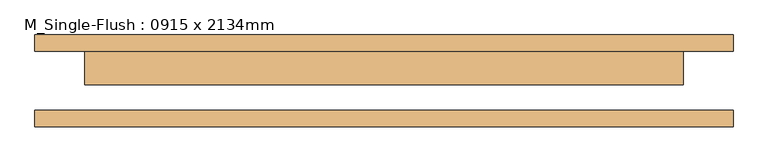
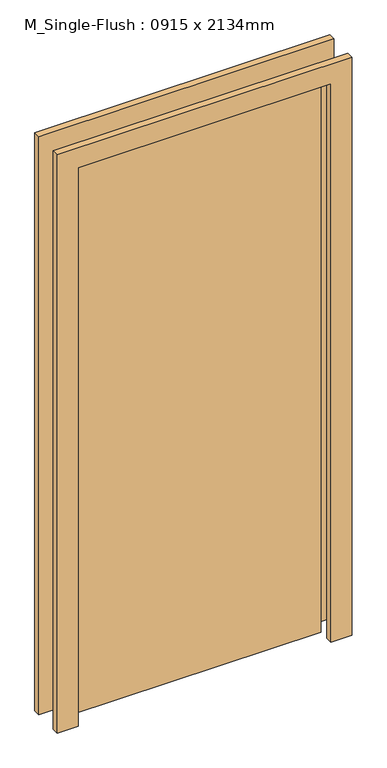
"""IFC4 building model written with IfcOpenShell, lengths in millimetres: door geometry, M_Single-Flush : 0915 x 2134mm."""

from ifc_helpers import new_model, si_unit, frame, origin, origin_with_axes, place, context, project, spatial, polyline, outline, extrude, source, transform, mapped, element, save


def m_single_flush_0915_x_2134mm_342467fd(model_context):
    return source(origin(), model_context, "Body", "SweptSolid", [
        extrude(outline(polyline([(2210.0, -533.5), (0.0, -533.5), (0.0, -457.5), (2134.0, -457.5), (2134.0, 457.5), (0.0, 457.5), (0.0, 533.5), (2210.0, 533.5), (2210.0, -533.5)])), frame((0.0, 45.0, 0.0), z_axis=(0.0, 1.0, 0.0), x_axis=(0.0, 0.0, 1.0)), (0.0, 0.0, 1.0), 25.0),
        extrude(outline(polyline([(2210.0, 533.5), (2210.0, -533.5), (0.0, -533.5), (0.0, -457.5), (2134.0, -457.5), (2134.0, 457.5), (0.0, 457.5), (0.0, 533.5), (2210.0, 533.5)])), frame((0.0, -70.0, 0.0), z_axis=(0.0, 1.0, 0.0), x_axis=(0.0, 0.0, 1.0)), (0.0, 0.0, 1.0), 25.0),
        extrude(outline(polyline([(457.5, -6.0), (-457.5, -6.0), (-457.5, 45.0), (457.5, 45.0), (457.5, -6.0)])), origin_with_axes(), (0.0, 0.0, 1.0), 2134.0),
    ])


if __name__ == "__main__":
    model = new_model("IFC4")
    model_context = context("Model", 3, world=origin())
    ifc_project = project(units=[si_unit("LENGTHUNIT", "METRE", prefix="MILLI")], contexts=[model_context])
    site = spatial("IfcSite", under=ifc_project)
    building = spatial("IfcBuilding", under=site)
    placement = place(None, origin())
    m_single_flush_0915_x_2134mm_shape = m_single_flush_0915_x_2134mm_342467fd(model_context)
    element("IfcDoor", 1, ObjectType="M_Single-Flush : 0915 x 2134mm", at=placement, inside=building, context=model_context, shape_type="MappedRepresentation", body=[
        mapped(m_single_flush_0915_x_2134mm_shape, transform((0.0, 0.0, 0.0), x_axis=(1.0, 0.0, 0.0), y_axis=(0.0, 1.0, 0.0), z_axis=(0.0, 0.0, 1.0))),
    ])
    save(model, "model.ifc")
